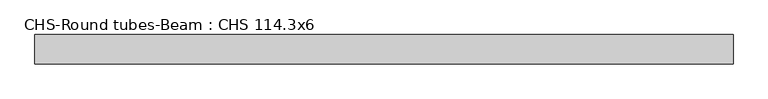
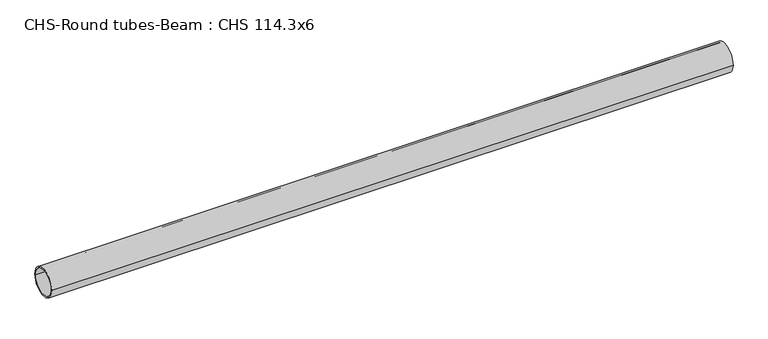
"""IFC4 building model written with IfcOpenShell, lengths in millimetres: beam geometry, CHS-Round tubes-Beam : CHS 114.3x6."""

from ifc_helpers import new_model, si_unit, point, frame, origin, origin_2d, place, context, project, spatial, circle_curve, trimmed, segment, composite_curve, outline, extrude, source, transform, mapped, element, save


def chs_round_tubes_beam_chs_114_3x6_ca42c91e(model_context):
    return source(origin(), model_context, "Body", "SweptSolid", [
        extrude(outline(composite_curve([segment(trimmed(circle_curve(origin_2d(), 57.15), [point((57.15, 0.0))], [point((-57.15, 0.0))], False, "CARTESIAN"), True, "CONTINUOUS"), segment(trimmed(circle_curve(origin_2d(), 57.15), [point((-57.15, 0.0))], [point((57.15, 0.0))], False, "CARTESIAN"), True, "CONTINUOUS")], self_intersect=False), holes=[composite_curve([segment(trimmed(circle_curve(origin_2d(), 51.15), [point((51.15, 0.0))], [point((-51.15, 0.0))], True, "CARTESIAN"), True, "CONTINUOUS"), segment(trimmed(circle_curve(origin_2d(), 51.15), [point((-51.15, 0.0))], [point((51.15, 0.0))], True, "CARTESIAN"), True, "CONTINUOUS")], self_intersect=False)]), frame((-1343.7873168, 0.0, 0.0), z_axis=(1.0, 0.0, 0.0), x_axis=(0.0, 1.0, 0.0)), (0.0, 0.0, 1.0), 2701.163567),
    ])


if __name__ == "__main__":
    model = new_model("IFC4")
    model_context = context("Model", 3, world=origin())
    ifc_project = project(units=[si_unit("LENGTHUNIT", "METRE", prefix="MILLI")], contexts=[model_context])
    site = spatial("IfcSite", under=ifc_project)
    building = spatial("IfcBuilding", under=site)
    placement = place(None, origin())
    chs_round_tubes_beam_chs_114_3x6_shape = chs_round_tubes_beam_chs_114_3x6_ca42c91e(model_context)
    element("IfcBeam", 1, ObjectType="CHS-Round tubes-Beam : CHS 114.3x6", at=placement, inside=building, context=model_context, shape_type="MappedRepresentation", body=[
        mapped(chs_round_tubes_beam_chs_114_3x6_shape, transform((0.0, 0.0, 0.0), x_axis=(1.0, 0.0, 0.0), y_axis=(0.0, 1.0, 0.0), z_axis=(0.0, 0.0, 1.0))),
    ])
    save(model, "model.ifc")
